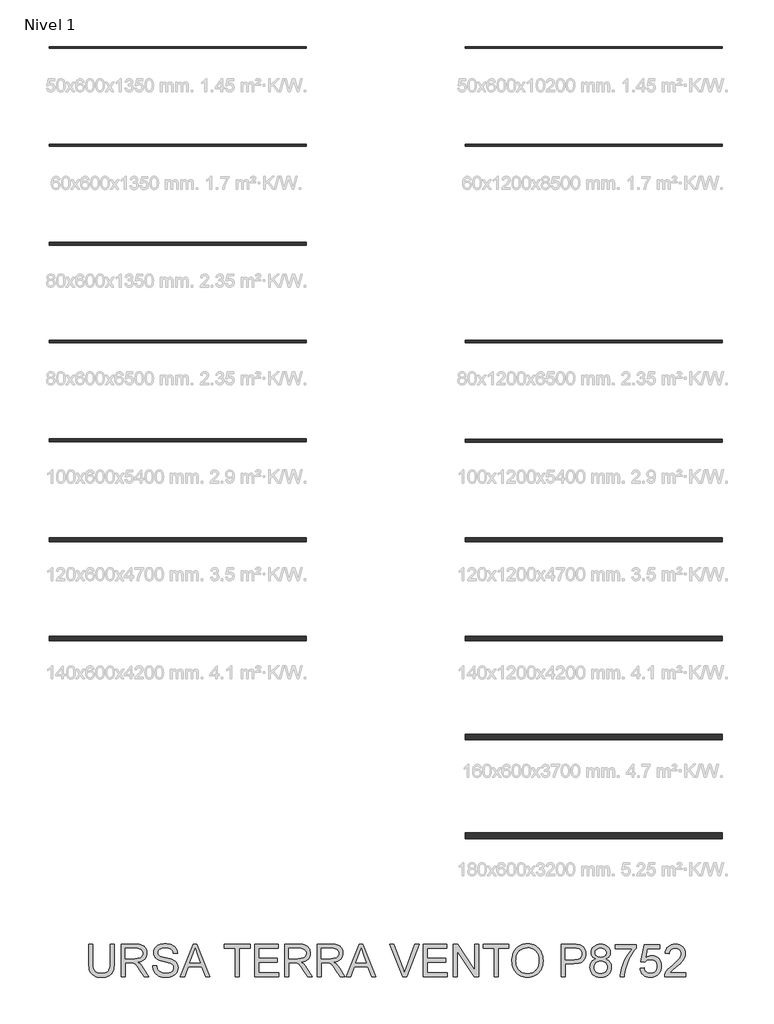
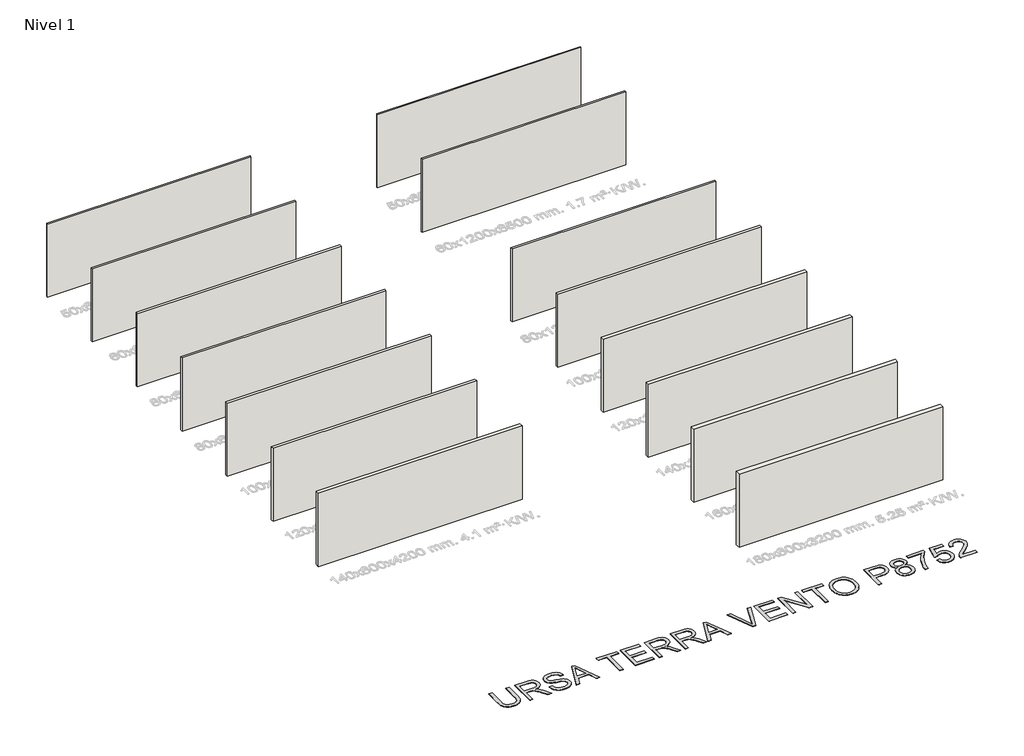
# One storey, part 1 of 16: 15 walls, 1 proxy.
"""IFC4 building model written with IfcOpenShell, lengths in millimetres."""

from ifc_helpers import new_model, si_unit, origin, origin_with_axes, place, context, project, spatial, polyline, outline, extrude, element, save

model = new_model("IFC4")

# Units and contexts
model_context = context("Model", 3, world=origin())
ifc_project = project(units=[si_unit("LENGTHUNIT", "METRE", prefix="MILLI")], contexts=[model_context])

# Site, building, storey
site = spatial("IfcSite", under=ifc_project)
building = spatial("IfcBuilding", under=site)
storey = spatial("IfcBuildingStorey", under=building, Name="Nivel 1", Elevation=0.0)

# Proxy
placement = place(None, origin())
element("IfcBuildingElementProxy", 1, Name="Texto de modelo 2", ObjectType="Texto de modelo 2", at=placement, inside=storey, context=model_context, shape_type="SweptSolid", body=[
    extrude(outline(polyline([(-11154.3090229, -23603.3871054), (-11028.7386352, -23603.3871054), (-11028.7386352, -24182.9238751), (-11030.8692851, -24254.6838568), (-11037.2612348, -24318.6416745), (-11047.9144842, -24374.7973282), (-11062.8290334, -24423.150818), (-11083.2924694, -24465.5338895), (-11110.5923791, -24503.7782886), (-11144.7287626, -24537.8840152), (-11185.7016198, -24567.8510694), (-11233.556936, -24592.2615726), (-11288.3406965, -24609.6976464), (-11350.0529012, -24620.1592906), (-11418.6935501, -24623.6465054), (-11485.640409, -24620.6114789), (-11546.1953182, -24611.5063995), (-11600.3582778, -24596.3312672), (-11648.1292877, -24575.086082), (-11689.5160122, -24548.0850764), (-11724.5261154, -24515.6424829), (-11753.1595974, -24477.7583016), (-11775.4164581, -24434.4325325), (-11792.1014394, -24384.1783191), (-11804.0192832, -24325.5088051), (-11811.1699895, -24258.4239904), (-11813.5535582, -24182.9238751), (-11813.5535582, -23603.3871054), (-11687.9831706, -23603.3871054), (-11687.9831706, -24178.5092912), (-11686.4350005, -24239.2174846), (-11681.7904903, -24291.3570932), (-11674.04964, -24334.928117), (-11663.2124495, -24369.930556), (-11648.6044687, -24398.8935989), (-11629.551247, -24424.3464345), (-11606.0527845, -24446.2890626), (-11578.1090813, -24464.7214834), (-11546.2566319, -24479.3141359), (-11511.0319309, -24489.7374591), (-11472.4349782, -24495.991453), (-11430.4657739, -24498.0761177), (-11361.2579736, -24493.9527736), (-11302.7494079, -24481.5827415), (-11254.940077, -24460.9660214), (-11235.0476245, -24447.5651533), (-11217.8299807, -24432.1026132), (-11202.9422562, -24413.7085134), (-11190.0395617, -24391.5129664), (-11170.1892623, -24335.7175305), (-11158.2790828, -24264.7163054), (-11154.3090229, -24178.5092912), (-11154.3090229, -23603.3871054)])), origin_with_axes(), (0.0, 0.0, 1.0), 10.0),
    extrude(outline(polyline([(-10808.9904567, -24607.9502069), (-10808.9904567, -23603.3871054), (-10376.1159758, -23603.3871054), (-10313.9822396, -23605.0808954), (-10259.7732948, -23610.1622655), (-10213.4891413, -23618.6312156), (-10175.1297791, -23630.4877457), (-10142.4649236, -23646.6438967), (-10113.2642902, -23668.0117092), (-10087.527879, -23694.5911834), (-10065.2556898, -23726.3823191), (-10047.2831215, -23761.675998), (-10034.4455727, -23798.7631017), (-10026.7430435, -23837.64363), (-10024.1755337, -23878.3175831), (-10028.4291693, -23929.9130329), (-10041.190076, -23977.2778398), (-10062.4582538, -24020.4120038), (-10092.2337028, -24059.3155248), (-10130.8996333, -24092.7468011), (-10178.8392558, -24119.464231), (-10236.0525703, -24139.4678145), (-10302.5395767, -24152.7575515), (-10261.1528523, -24179.7968782), (-10231.1704697, -24206.4683228), (-10179.728304, -24267.4754204), (-10129.3897843, -24335.7175305), (-9961.8808492, -24607.9502069), (-10107.8073739, -24607.9502069), (-10238.5281096, -24399.7289976), (-10290.8286665, -24320.2664867), (-10332.951155, -24261.8958768), (-10368.0532287, -24221.7047688), (-10399.2925415, -24196.7807636), (-10428.8763852, -24182.1574543), (-10459.012052, -24172.8684339), (-10531.852687, -24168.45385), (-10683.4200691, -24168.45385), (-10683.4200691, -24607.9502069), (-10808.9904567, -24607.9502069)]), holes=[polyline([(-10683.4200691, -24042.8834623), (-10402.3582247, -24042.8834623), (-10321.6387836, -24038.4382215), (-10259.006874, -24025.1024992), (-10233.8222857, -24014.8784454), (-10211.8566649, -24001.9872472), (-10193.1100116, -23986.4289045), (-10177.5823257, -23968.2034173), (-10165.4038988, -23948.207498), (-10156.7050225, -23927.337859), (-10151.4856967, -23905.5945002), (-10149.7459214, -23882.9774217), (-10153.0645236, -23850.8643892), (-10163.02033, -23821.7250695), (-10179.6133409, -23795.5594626), (-10202.843556, -23772.3675685), (-10233.2474701, -23753.3756605), (-10271.3615776, -23739.8100119), (-10317.1858787, -23731.6706228), (-10370.7203732, -23728.9574931), (-10683.4200691, -23728.9574931), (-10683.4200691, -24042.8834623)])]), origin_with_axes(), (0.0, 0.0, 1.0), 10.0),
    extrude(outline(polyline([(-9851.5162506, -24262.6316408), (-9725.9458629, -24262.6316408), (-9720.1977068, -24299.1822498), (-9711.5371515, -24332.314622), (-9699.964197, -24362.0287573), (-9685.4788435, -24388.3246558), (-9667.3453268, -24411.7311477), (-9644.827883, -24432.7770635), (-9617.9265121, -24451.4624032), (-9586.6412141, -24467.7871667), (-9552.1216202, -24481.0385828), (-9515.5173617, -24490.5038799), (-9476.8284385, -24496.1830582), (-9436.0548507, -24498.0761177), (-9366.095958, -24492.3432899), (-9334.3814643, -24485.1772552), (-9304.8436058, -24475.1448066), (-9278.2104822, -24462.606162), (-9255.2101933, -24447.921539), (-9235.8427391, -24431.0909377), (-9220.1081196, -24412.1143581), (-9207.9296927, -24391.8118705), (-9199.2308164, -24371.0035452), (-9194.0114905, -24349.6893821), (-9192.2717153, -24327.8693812), (-9197.4833769, -24285.8388633), (-9213.1183617, -24249.5105163), (-9226.270143, -24233.3926863), (-9244.8788406, -24218.5164582), (-9268.9444544, -24204.8818317), (-9298.4669846, -24192.488807), (-9364.7777142, -24172.7764634), (-9481.3043362, -24144.5415203), (-9601.3258371, -24112.8116982), (-9645.1267871, -24097.5216028), (-9678.1212036, -24082.6147178), (-9711.6521146, -24062.6111343), (-9740.6304859, -24040.369602), (-9765.0563176, -24015.8901209), (-9784.9296095, -23989.172691), (-9800.3270038, -23960.4932238), (-9811.3251427, -23930.1276308), (-9817.9240259, -23898.0759119), (-9820.1236537, -23864.3380673), (-9817.4028598, -23826.9443953), (-9809.240478, -23790.7923251), (-9795.6365084, -23755.8818566), (-9776.5909509, -23722.2129898), (-9752.3184035, -23691.1576181), (-9723.0334638, -23664.0876346), (-9688.736132, -23641.0030394), (-9649.426408, -23621.9038325), (-9606.4301998, -23606.9356338), (-9561.0734154, -23596.2440633), (-9513.356055, -23589.829121), (-9463.2781184, -23587.6908069), (-9408.6476421, -23589.9287557), (-9357.3281038, -23596.6426022), (-9309.3195034, -23607.8323462), (-9264.621841, -23623.4979878), (-9224.062851, -23643.5015713), (-9188.470268, -23667.7051409), (-9157.8440919, -23696.1086966), (-9132.1843227, -23728.7122384), (-9111.6902299, -23764.5654045), (-9096.5610829, -23802.7178331), (-9086.7968816, -23843.1695242), (-9082.3976261, -23885.9204777), (-9207.9680137, -23885.9204777), (-9216.367986, -23845.8519971), (-9231.0219521, -23810.995178), (-9251.9299122, -23781.3500206), (-9279.0918661, -23756.9165247), (-9313.0136518, -23737.8173178), (-9354.2011068, -23724.1750271), (-9402.6542313, -23715.9896528), (-9458.3730251, -23713.2611946), (-9515.8699153, -23715.9589959), (-9564.9974901, -23724.0523998), (-9605.7557494, -23737.5414063), (-9638.1446934, -23756.4260154), (-9662.8234439, -23779.1274002), (-9680.4511229, -23804.0667338), (-9691.0277302, -23831.2440162), (-9694.553266, -23860.6592474), (-9692.0547341, -23885.9664629), (-9684.5591385, -23908.9131024), (-9672.0664791, -23929.4991657), (-9654.5767559, -23947.7246529), (-9627.0469199, -23964.9844498), (-9583.6981581, -23982.4281878), (-9524.5304706, -24000.0558667), (-9449.5438572, -24017.8674866), (-9311.0975997, -24051.5286892), (-9262.3838922, -24066.7498067), (-9227.3431322, -24080.8979351), (-9188.8458142, -24102.3423898), (-9155.7594273, -24126.4539889), (-9128.0839713, -24153.2327324), (-9105.8194464, -24182.6786205), (-9088.7052694, -24214.6383688), (-9076.4808573, -24248.9586933), (-9069.14621, -24285.6395939), (-9066.7013276, -24324.6810706), (-9069.514092, -24363.9601378), (-9077.9523853, -24402.0895738), (-9092.0162074, -24439.0693785), (-9111.7055583, -24474.899552), (-9136.6755488, -24508.1928725), (-9166.5812893, -24537.5621185), (-9201.4227799, -24563.0072898), (-9241.2000206, -24584.5283865), (-9284.755716, -24601.6425635), (-9330.9325706, -24613.8669756), (-9379.7305844, -24621.2016229), (-9431.1497575, -24623.6465054), (-9495.3834867, -24621.0100177), (-9554.175628, -24613.1005548), (-9607.5261815, -24599.9181167), (-9655.4351472, -24581.4627032), (-9698.1937649, -24557.7036577), (-9736.0932746, -24528.6103233), (-9769.1336763, -24494.1826999), (-9797.31497, -24454.4207876), (-9820.0163548, -24410.6121733), (-9836.6170298, -24364.0444441), (-9847.1169951, -24314.7175999), (-9851.5162506, -24262.6316408)])), origin_with_axes(), (0.0, 0.0, 1.0), 10.0),
    extrude(outline(polyline([(-8995.3322205, -24607.9502069), (-8594.3408458, -23603.3871054), (-8487.4098125, -23603.3871054), (-8086.4184378, -24607.9502069), (-8219.1012107, -24607.9502069), (-8334.1256479, -24294.0242377), (-8747.8702651, -24294.0242377), (-8862.6494476, -24607.9502069), (-8995.3322205, -24607.9502069)]), holes=[polyline([(-8701.7623884, -24168.45385), (-8379.9882699, -24168.45385), (-8470.4872407, -23921.4824039), (-8540.8753292, -23728.9574931), (-8603.4152683, -23899.8999935), (-8701.7623884, -24168.45385)])]), origin_with_axes(), (0.0, 0.0, 1.0), 10.0),
    extrude(outline(polyline([(-7308.7159, -24607.9502069), (-7308.7159, -23728.9574931), (-7638.3381677, -23728.9574931), (-7638.3381677, -23603.3871054), (-6853.5232446, -23603.3871054), (-6853.5232446, -23728.9574931), (-7183.1455123, -23728.9574931), (-7183.1455123, -24607.9502069), (-7308.7159, -24607.9502069)])), origin_with_axes(), (0.0, 0.0, 1.0), 10.0),
    extrude(outline(polyline([(-6712.2565585, -24607.9502069), (-6712.2565585, -23603.3871054), (-5990.2268293, -23603.3871054), (-5990.2268293, -23728.9574931), (-6586.6861708, -23728.9574931), (-6586.6861708, -24027.1871638), (-6021.6194262, -24027.1871638), (-6021.6194262, -24152.7575515), (-6586.6861708, -24152.7575515), (-6586.6861708, -24482.3798192), (-5974.5305308, -24482.3798192), (-5974.5305308, -24607.9502069), (-6712.2565585, -24607.9502069)])), origin_with_axes(), (0.0, 0.0, 1.0), 10.0),
    extrude(outline(polyline([(-5786.1749493, -24607.9502069), (-5786.1749493, -23603.3871054), (-5353.3004683, -23603.3871054), (-5291.1667321, -23605.0808954), (-5236.9577873, -23610.1622655), (-5190.6736338, -23618.6312156), (-5152.3142716, -23630.4877457), (-5119.6494161, -23646.6438967), (-5090.4487827, -23668.0117092), (-5064.7123715, -23694.5911834), (-5042.4401824, -23726.3823191), (-5024.467614, -23761.675998), (-5011.6300653, -23798.7631017), (-5003.927536, -23837.64363), (-5001.3600262, -23878.3175831), (-5005.6136618, -23929.9130329), (-5018.3745685, -23977.2778398), (-5039.6427463, -24020.4120038), (-5069.4181953, -24059.3155248), (-5108.0841259, -24092.7468011), (-5156.0237484, -24119.464231), (-5213.2370628, -24139.4678145), (-5279.7240692, -24152.7575515), (-5238.3373448, -24179.7968782), (-5208.3549622, -24206.4683228), (-5156.9127965, -24267.4754204), (-5106.5742768, -24335.7175305), (-4939.0653417, -24607.9502069), (-5084.9918665, -24607.9502069), (-5215.7126021, -24399.7289976), (-5268.0131591, -24320.2664867), (-5310.1356475, -24261.8958768), (-5345.2377212, -24221.7047688), (-5376.477034, -24196.7807636), (-5406.0608778, -24182.1574543), (-5436.1965445, -24172.8684339), (-5509.0371796, -24168.45385), (-5660.6045616, -24168.45385), (-5660.6045616, -24607.9502069), (-5786.1749493, -24607.9502069)]), holes=[polyline([(-5660.6045616, -24042.8834623), (-5379.5427173, -24042.8834623), (-5298.8232762, -24038.4382215), (-5236.1913665, -24025.1024992), (-5211.0067782, -24014.8784454), (-5189.0411574, -24001.9872472), (-5170.2945041, -23986.4289045), (-5154.7668182, -23968.2034173), (-5142.5883913, -23948.207498), (-5133.889515, -23927.337859), (-5128.6701892, -23905.5945002), (-5126.9304139, -23882.9774217), (-5130.2490161, -23850.8643892), (-5140.2048226, -23821.7250695), (-5156.7978334, -23795.5594626), (-5180.0280485, -23772.3675685), (-5210.4319626, -23753.3756605), (-5248.5460701, -23739.8100119), (-5294.3703712, -23731.6706228), (-5347.9048657, -23728.9574931), (-5660.6045616, -23728.9574931), (-5660.6045616, -24042.8834623)])]), origin_with_axes(), (0.0, 0.0, 1.0), 10.0),
    extrude(outline(polyline([(-4781.6118478, -24607.9502069), (-4781.6118478, -23603.3871054), (-4348.7373668, -23603.3871054), (-4286.6036306, -23605.0808954), (-4232.3946858, -23610.1622655), (-4186.1105323, -23618.6312156), (-4147.7511701, -23630.4877457), (-4115.0863146, -23646.6438967), (-4085.8856812, -23668.0117092), (-4060.14927, -23694.5911834), (-4037.8770809, -23726.3823191), (-4019.9045125, -23761.675998), (-4007.0669638, -23798.7631017), (-3999.3644345, -23837.64363), (-3996.7969247, -23878.3175831), (-4001.0505603, -23929.9130329), (-4013.811467, -23977.2778398), (-4035.0796449, -24020.4120038), (-4064.8550938, -24059.3155248), (-4103.5210244, -24092.7468011), (-4151.4606469, -24119.464231), (-4208.6739613, -24139.4678145), (-4275.1609677, -24152.7575515), (-4233.7742433, -24179.7968782), (-4203.7918607, -24206.4683228), (-4152.349695, -24267.4754204), (-4102.0111753, -24335.7175305), (-3934.5022402, -24607.9502069), (-4080.428765, -24607.9502069), (-4211.1495006, -24399.7289976), (-4263.4500576, -24320.2664867), (-4305.572546, -24261.8958768), (-4340.6746197, -24221.7047688), (-4371.9139325, -24196.7807636), (-4401.4977763, -24182.1574543), (-4431.633443, -24172.8684339), (-4504.4740781, -24168.45385), (-4656.0414601, -24168.45385), (-4656.0414601, -24607.9502069), (-4781.6118478, -24607.9502069)]), holes=[polyline([(-4656.0414601, -24042.8834623), (-4374.9796158, -24042.8834623), (-4294.2601747, -24038.4382215), (-4231.628265, -24025.1024992), (-4206.4436767, -24014.8784454), (-4184.4780559, -24001.9872472), (-4165.7314026, -23986.4289045), (-4150.2037167, -23968.2034173), (-4138.0252898, -23948.207498), (-4129.3264135, -23927.337859), (-4124.1070877, -23905.5945002), (-4122.3673124, -23882.9774217), (-4125.6859146, -23850.8643892), (-4135.6417211, -23821.7250695), (-4152.2347319, -23795.5594626), (-4175.4649471, -23772.3675685), (-4205.8688611, -23753.3756605), (-4243.9829687, -23739.8100119), (-4289.8072697, -23731.6706228), (-4343.3417642, -23728.9574931), (-4656.0414601, -23728.9574931), (-4656.0414601, -24042.8834623)])]), origin_with_axes(), (0.0, 0.0, 1.0), 10.0),
    extrude(outline(polyline([(-3894.0352207, -24607.9502069), (-3493.043846, -23603.3871054), (-3386.1128127, -23603.3871054), (-2985.121438, -24607.9502069), (-3117.8042109, -24607.9502069), (-3232.8286481, -24294.0242377), (-3646.5732653, -24294.0242377), (-3761.3524478, -24607.9502069), (-3894.0352207, -24607.9502069)]), holes=[polyline([(-3600.4653886, -24168.45385), (-3278.6912701, -24168.45385), (-3369.190241, -23921.4824039), (-3439.5783294, -23728.9574931), (-3502.1182685, -23899.8999935), (-3600.4653886, -24168.45385)])]), origin_with_axes(), (0.0, 0.0, 1.0), 10.0),
    extrude(outline(polyline([(-2161.8015328, -24607.9502069), (-2561.5666342, -23603.3871054), (-2427.1670786, -23603.3871054), (-2159.5942408, -24327.1336172), (-2129.8571129, -24411.4399078), (-2105.3929602, -24490.2279684), (-2080.4996119, -24408.6194792), (-2051.9274436, -24327.1336172), (-1783.6188417, -23603.3871054), (-1649.2192862, -23603.3871054), (-2032.0618158, -24607.9502069), (-2161.8015328, -24607.9502069)])), origin_with_axes(), (0.0, 0.0, 1.0), 10.0),
    extrude(outline(polyline([(-1532.4780664, -24607.9502069), (-1532.4780664, -23603.3871054), (-810.4483372, -23603.3871054), (-810.4483372, -23728.9574931), (-1406.9076787, -23728.9574931), (-1406.9076787, -24027.1871638), (-841.8409341, -24027.1871638), (-841.8409341, -24152.7575515), (-1406.9076787, -24152.7575515), (-1406.9076787, -24482.3798192), (-794.7520387, -24482.3798192), (-794.7520387, -24607.9502069), (-1532.4780664, -24607.9502069)])), origin_with_axes(), (0.0, 0.0, 1.0), 10.0),
    extrude(outline(polyline([(-606.3964572, -24607.9502069), (-606.3964572, -23603.3871054), (-471.9969016, -23603.3871054), (52.8480782, -24399.2384883), (52.8480782, -23603.3871054), (178.4184659, -23603.3871054), (178.4184659, -24607.9502069), (44.0189103, -24607.9502069), (-480.8260695, -23811.8535693), (-480.8260695, -24607.9502069), (-606.3964572, -24607.9502069)])), origin_with_axes(), (0.0, 0.0, 1.0), 10.0),
    extrude(outline(polyline([(649.3074197, -24607.9502069), (649.3074197, -23728.9574931), (319.685152, -23728.9574931), (319.685152, -23603.3871054), (1104.5000751, -23603.3871054), (1104.5000751, -23728.9574931), (774.8778074, -23728.9574931), (774.8778074, -24607.9502069), (649.3074197, -24607.9502069)])), origin_with_axes(), (0.0, 0.0, 1.0), 10.0),
    extrude(outline(polyline([(1198.6778658, -24118.912408), (1200.7701947, -24058.3076814), (1207.0471812, -24001.0828706), (1217.5088255, -23947.2379757), (1232.1551274, -23896.7729966), (1250.986087, -23849.6879333), (1274.0017043, -23805.9827858), (1301.2019794, -23765.6575542), (1332.5869121, -23728.7122384), (1367.2789506, -23695.6603404), (1404.4005432, -23667.0153621), (1443.9516898, -23642.7773036), (1485.9323904, -23622.9461648), (1530.342645, -23607.5219457), (1577.1824536, -23596.5046464), (1626.4518162, -23589.8942668), (1678.1507329, -23587.6908069), (1745.7337211, -23591.8294794), (1809.9138008, -23604.2454967), (1870.6909721, -23624.9388589), (1928.0652349, -23653.9095661), (1980.4271056, -23690.2838983), (2026.1671003, -23733.188136), (2065.2852191, -23782.6222791), (2097.781462, -23838.5863276), (2123.3186039, -23899.808023), (2141.5594195, -23965.0151067), (2152.5039088, -24034.2075786), (2156.1520719, -24107.3854388), (2152.3123036, -24181.5289892), (2140.7929986, -24251.6564946), (2121.594157, -24317.7679548), (2094.7157787, -24379.8633699), (2060.7939931, -24436.3025993), (2020.4649294, -24485.4455025), (1973.7285876, -24527.2920795), (1920.5849677, -24561.8423302), (1863.1263986, -24588.8816568), (1803.4452091, -24608.1954616), (1741.5413992, -24619.7837444), (1677.4149689, -24623.6465054), (1608.6516926, -24619.3775414), (1543.62855, -24606.5706494), (1482.3455409, -24585.2258295), (1424.8026655, -24555.3430816), (1372.5021085, -24518.0797012), (1326.9460548, -24474.5929836), (1288.1345043, -24424.882929), (1256.0674571, -24368.9495374), (1230.9595109, -24309.0384216), (1213.0252636, -24247.3951948), (1202.2647153, -24184.0198569), (1198.6778658, -24118.912408)]), holes=[polyline([(1324.2482535, -24120.1386813), (1325.8175001, -24162.931788), (1330.5252401, -24203.3873111), (1338.3714732, -24241.5052508), (1349.3561997, -24277.2856069), (1363.4794194, -24310.7283795), (1380.7411324, -24341.8335686), (1401.1413387, -24370.6011742), (1424.6800382, -24397.0311963), (1450.5869781, -24420.7135998), (1478.0919054, -24441.2383494), (1507.1948201, -24458.6054453), (1537.8957222, -24472.8148873), (1570.1946118, -24483.8666756), (1604.0914887, -24491.7608101), (1639.5863531, -24496.4972908), (1676.6792049, -24498.0761177), (1714.4503391, -24496.4819624), (1750.5085228, -24491.6994964), (1784.8537559, -24483.7287199), (1817.4860385, -24472.5696327), (1848.4053706, -24458.2222349), (1877.6117521, -24440.6865264), (1905.1051831, -24419.9625074), (1930.8856636, -24396.0501777), (1954.2519184, -24369.2062883), (1974.5026726, -24339.6875903), (1991.6379262, -24307.4940836), (2005.6576791, -24272.6257683), (2016.5619313, -24235.0826443), (2024.350683, -24194.8647116), (2029.0239339, -24151.9719702), (2030.5816842, -24106.4044201), (2027.9145398, -24048.9381868), (2019.9131064, -23995.2427439), (2006.5773841, -23945.3180915), (1987.9073728, -23899.1642295), (1964.1100062, -23857.3866304), (1935.392218, -23820.5907667), (1901.7540081, -23788.7766383), (1863.1953764, -23761.9442453), (1820.9119396, -23740.6454106), (1776.0993141, -23725.4319573), (1728.7574998, -23716.3038853), (1678.8864969, -23713.2611946), (1608.8203052, -23719.1243139), (1543.812491, -23736.7136718), (1513.2054754, -23749.9056902), (1483.8630542, -23766.0292683), (1428.9719948, -23807.0711034), (1404.4273679, -23832.4837018), (1383.155358, -23861.8165428), (1365.155965, -23895.0696263), (1350.4291888, -23932.2429523), (1338.9750296, -23973.3365207), (1330.7934873, -24018.3503317), (1325.884562, -24067.2843853), (1324.2482535, -24120.1386813)])]), origin_with_axes(), (0.0, 0.0, 1.0), 10.0),
    extrude(outline(polyline([(2721.2188165, -24607.9502069), (2721.2188165, -23603.3871054), (3093.5153956, -23603.3871054), (3180.2129192, -23605.7783384), (3243.6112497, -23612.9520373), (3278.552375, -23620.485954), (3310.535116, -23630.8249709), (3339.5594725, -23643.969088), (3365.6254447, -23659.9183053), (3389.0089441, -23679.0021838), (3409.985882, -23701.5502844), (3428.5562585, -23727.5626072), (3444.7200737, -23757.039152), (3457.8105414, -23789.0065646), (3467.1608754, -23822.4914904), (3472.7710758, -23857.4939294), (3474.6411427, -23894.0138816), (3469.5904294, -23955.680101), (3454.4382897, -24012.4105704), (3429.1847236, -24064.2052896), (3393.829731, -24111.0642587), (3371.5939469, -24131.8725841), (3345.2923003, -24149.9064661), (3314.9247912, -24165.1659047), (3280.4914197, -24177.6508999), (3241.9921857, -24187.3614517), (3199.4270892, -24194.2975601), (3102.0993089, -24199.8464469), (2846.7892042, -24199.8464469), (2846.7892042, -24607.9502069), (2721.2188165, -24607.9502069)]), holes=[polyline([(2846.7892042, -24074.2760592), (3109.4569488, -24074.2760592), (3169.8509096, -24071.3943169), (3220.802566, -24062.74909), (3262.3119178, -24048.3403786), (3294.378965, -24028.1681825), (3318.3066231, -24002.7689964), (3335.3978075, -23972.6793149), (3345.6525181, -23937.8991379), (3349.070755, -23898.4284655), (3347.0550682, -23869.1205332), (3341.0080079, -23842.0198929), (3330.9295741, -23817.1265446), (3316.8197667, -23794.4404882), (3299.4296782, -23774.6974878), (3279.510401, -23758.6333074), (3257.0619351, -23746.2479469), (3232.0842805, -23737.5414063), (3183.6464845, -23731.1034714), (3106.5138928, -23728.9574931), (2846.7892042, -23728.9574931), (2846.7892042, -24074.2760592)])]), origin_with_axes(), (0.0, 0.0, 1.0), 10.0),
    extrude(outline(polyline([(3783.1715093, -24054.6556861), (3747.0500959, -24039.5725243), (3715.9410747, -24021.5463066), (3689.8444456, -24000.5770329), (3668.7602088, -23976.6647032), (3652.5044231, -23950.0392438), (3640.8931476, -23920.9305809), (3633.9263824, -23889.3387146), (3631.6041273, -23855.2636448), (3636.6625047, -23804.0514053), (3651.837637, -23757.1004657), (3677.1295242, -23714.4108259), (3712.5381662, -23675.9824858), (3756.3621089, -23644.2220069), (3806.899898, -23621.5359505), (3864.1515335, -23607.9243167), (3928.1170154, -23603.3871054), (3992.3890656, -23608.0316156), (4050.0698968, -23621.9651462), (4101.1595089, -23645.1876971), (4145.6579019, -23677.6992684), (4181.7103374, -23716.8787009), (4207.462077, -23760.1048353), (4222.9131208, -23807.3776717), (4228.0634688, -23858.69721), (4225.7718705, -23891.5689992), (4218.8970757, -23922.2488247), (4207.4390844, -23950.7366867), (4191.3978966, -23977.0325852), (4170.6968701, -24000.7839665), (4145.259363, -24021.6382771), (4115.0853752, -24039.595517), (4080.1749067, -24054.6556861), (4121.446668, -24072.2143872), (4157.4607825, -24094.4789121), (4188.2172502, -24121.4492609), (4213.716071, -24153.1254335), (4233.7273187, -24188.8023228), (4248.021067, -24227.7748217), (4256.597316, -24270.0429301), (4259.4560657, -24315.6066481), (4253.7845516, -24378.2385577), (4236.7700093, -24435.6588058), (4208.4124389, -24487.8673923), (4168.7118402, -24534.8643172), (4145.1290715, -24555.6726425), (4119.752878, -24573.7065245), (4092.5832598, -24588.9659631), (4063.6202169, -24601.4509583), (4000.3138569, -24618.0976186), (3929.833798, -24623.6465054), (3859.3537391, -24618.074626), (3796.0473791, -24601.3589878), (3767.0843362, -24588.8222592), (3739.914718, -24573.4995909), (3714.5385245, -24555.3909829), (3690.9557558, -24534.4964352), (3651.2551572, -24487.1699494), (3622.8975867, -24434.340562), (3605.8830444, -24376.0082731), (3600.2115303, -24312.1730828), (3603.1852431, -24264.5323644), (3612.1063815, -24220.938348), (3626.9749455, -24181.3910335), (3647.790935, -24145.890421), (3674.0944977, -24115.0803039), (3705.425781, -24089.6044757), (3741.7847848, -24069.4629365), (3783.1715093, -24054.6556861)]), holes=[polyline([(3757.1745149, -23858.9424647), (3759.9566225, -23887.7292308), (3768.3029453, -23913.756882), (3782.2134832, -23937.0254182), (3801.6882364, -23957.5348394), (3826.48195, -23974.2734702), (3856.3493695, -23986.229635), (3891.2904948, -23993.4033339), (3931.305326, -23995.7945669), (3970.3314743, -23993.4186624), (4004.513843, -23986.2909487), (4033.8524322, -23974.4114259), (4058.3472417, -23957.7800941), (4077.6610464, -23937.6998685), (4091.4566212, -23915.4736646), (4099.7339661, -23891.1014825), (4102.4930811, -23864.583322), (4099.6419956, -23837.0304934), (4091.0887392, -23811.7615988), (4076.8333119, -23788.7766383), (4056.8757137, -23768.0756119), (4031.8290812, -23750.9614349), (4002.3065511, -23738.7370228), (3968.3081233, -23731.4023755), (3929.833798, -23728.9574931), (3891.0605686, -23731.3487261), (3856.9011925, -23738.522425), (3827.3556697, -23750.4785898), (3802.4240004, -23767.2172206), (3782.6273505, -23787.2974462), (3768.4868863, -23809.2783954), (3760.0026078, -23833.1600682), (3757.1745149, -23858.9424647)]), polyline([(3725.781918, -24307.7584988), (3731.0242365, -24355.797756), (3746.7511917, -24402.3041716), (3759.2515154, -24423.8789178), (3775.7832125, -24442.8631616), (3796.3462832, -24459.256903), (3820.9407274, -24473.060142), (3875.0193807, -24491.8221237), (3930.8148167, -24498.0761177), (3976.2175862, -24494.7881723), (4016.2860669, -24484.9243363), (4051.0202586, -24468.4846097), (4080.4201614, -24445.4689924), (4103.8113249, -24417.3796692), (4120.5192988, -24385.718825), (4130.5440832, -24350.4864597), (4133.885678, -24311.6825734), (4130.4367843, -24272.2578863), (4120.0901032, -24236.3893918), (4102.8456347, -24204.0770899), (4078.7033787, -24175.3209806), (4048.5063983, -24151.7152192), (4013.0977563, -24134.8539611), (3972.4774526, -24124.7372062), (3926.6454874, -24121.3649546), (3881.9095039, -24124.691221), (3842.3698537, -24134.6700201), (3808.0265366, -24151.301352), (3778.8795527, -24174.5852166), (3755.6493375, -24202.866145), (3739.0563267, -24234.4886681), (3729.1005202, -24269.4527861), (3725.781918, -24307.7584988)])]), origin_with_axes(), (0.0, 0.0, 1.0), 10.0),
    extrude(outline(polyline([(4369.3301549, -23744.6537915), (4369.3301549, -23619.0834039), (5028.5746903, -23619.0834039), (5028.5746903, -23720.6188345), (4981.4781307, -23776.0387243), (4934.6114973, -23839.5366895), (4887.9747902, -23911.1127302), (4841.5680094, -23990.7668463), (4797.9050151, -24075.0501443), (4759.4996676, -24160.5137303), (4726.351967, -24247.1576043), (4698.4619133, -24334.9817665), (4681.8459098, -24398.7633074), (4668.5408443, -24465.5185611), (4658.5467168, -24535.2475276), (4651.8635272, -24607.9502069), (4526.2931395, -24607.9502069), (4530.2402068, -24546.2839875), (4539.8741165, -24478.5170583), (4555.1948688, -24404.6494193), (4576.2024635, -24324.6810706), (4602.6516462, -24242.4057952), (4634.2971619, -24161.6173762), (4671.1390109, -24082.3158137), (4713.1771931, -24004.5011075), (4758.518649, -23930.4571917), (4805.2703192, -23862.4680005), (4853.4322037, -23800.5335338), (4903.0043026, -23744.6537915), (4369.3301549, -23744.6537915)])), origin_with_axes(), (0.0, 0.0, 1.0), 10.0),
    extrude(outline(polyline([(5138.4487795, -24341.1131331), (5264.0191672, -24325.4168346), (5273.4001581, -24365.7842194), (5287.0731056, -24400.8019868), (5305.0380097, -24430.4701368), (5327.2948704, -24454.7886696), (5353.7977024, -24473.7269281), (5384.5005206, -24487.2542556), (5419.4033249, -24495.3706522), (5458.5061153, -24498.0761177), (5506.3307747, -24494.3129914), (5548.5145768, -24483.0236127), (5585.0575216, -24464.2079815), (5615.9596092, -24437.8660978), (5640.5310608, -24405.300877), (5658.0820977, -24367.8152345), (5668.6127198, -24325.4091704), (5672.1229272, -24278.0826846), (5668.8349818, -24233.3543653), (5658.9711458, -24193.592453), (5642.5314192, -24158.7969476), (5619.5158019, -24128.9678492), (5589.8476518, -24105.0401911), (5553.4503269, -24087.9490067), (5510.3238272, -24077.6942961), (5460.4681526, -24074.2760592), (5399.5530256, -24079.7329755), (5373.4410681, -24086.5541208), (5350.2261814, -24096.1037243), (5310.8321511, -24121.1810136), (5279.7154657, -24152.7575515), (5154.145078, -24137.0612531), (5264.0191672, -23619.0834039), (5750.6044195, -23619.0834039), (5750.6044195, -23744.6537915), (5365.5545979, -23744.6537915), (5311.8438266, -24021.3010519), (5356.1582786, -23989.540573), (5401.5457197, -23966.8545166), (5448.00615, -23953.2428828), (5495.5395695, -23948.7056715), (5556.692287, -23954.3312004), (5612.8632691, -23971.2077869), (5664.0525159, -23999.3354311), (5710.2600273, -24038.714133), (5748.5120906, -24086.9373312), (5775.834993, -24141.5984643), (5792.2287344, -24202.6975324), (5797.6933149, -24270.2345353), (5792.7728932, -24335.2883348), (5778.0116281, -24395.804923), (5753.4095197, -24451.7842999), (5718.9665679, -24503.2264656), (5693.9659206, -24531.4499124), (5666.7886382, -24555.910233), (5637.4347207, -24576.6074273), (5605.904168, -24593.5414954), (5572.1969802, -24606.7124373), (5536.3131573, -24616.1202529), (5498.2526992, -24621.7649422), (5458.015606, -24623.6465054), (5393.2147254, -24618.81039), (5334.6831671, -24604.3020438), (5282.4209312, -24580.1214668), (5236.4280176, -24546.268659), (5198.1606258, -24504.4297463), (5169.0749556, -24456.2908544), (5149.1710068, -24401.8519833), (5138.4487795, -24341.1131331)])), origin_with_axes(), (0.0, 0.0, 1.0), 10.0),
    extrude(outline(polyline([(6551.115641, -24482.3798192), (6551.115641, -24607.9502069), (5891.8711056, -24607.9502069), (5894.6302206, -24563.7430538), (5905.3601121, -24521.3753107), (5919.048388, -24487.2925767), (5936.3235134, -24453.7156804), (5957.1854882, -24420.6446219), (5981.6343124, -24388.0794011), (6011.1415141, -24354.7477595), (6047.1786213, -24319.3774385), (6138.8425517, -24242.5207584), (6274.3457533, -24122.1620323), (6321.7718738, -24073.8008783), (6355.6476742, -24033.3185304), (6379.3607345, -23997.0208402), (6396.2986347, -23961.2136594), (6406.4613748, -23925.8969878), (6409.8489548, -23891.0708256), (6406.65298, -23858.3063354), (6397.0650555, -23828.1936613), (6381.0851813, -23800.7328032), (6358.7133575, -23775.9237611), (6331.1911857, -23755.3760189), (6299.7602678, -23740.6990601), (6264.4206036, -23731.8928848), (6225.1721933, -23728.9574931), (6183.8237898, -23731.823907), (6146.8439851, -23740.4231486), (6114.2327791, -23754.755218), (6085.9901717, -23774.8201151), (6063.143167, -23799.9433897), (6046.7187688, -23829.4505914), (6036.716977, -23863.3417202), (6033.1377918, -23901.6167762), (5907.5674041, -23885.9204777), (5918.3662735, -23821.0966045), (5938.0096392, -23764.4581056), (5966.4975012, -23716.0049812), (6003.8298595, -23675.7372311), (6049.1483228, -23644.0840511), (6101.5944997, -23621.4746368), (6161.1683903, -23607.9089883), (6227.8699946, -23603.3871054), (6295.169407, -23608.414826), (6355.0651944, -23623.4979878), (6407.5573566, -23648.6365908), (6452.6458936, -23683.830635), (6488.8592775, -23726.4742896), (6514.7259803, -23773.9617238), (6530.246002, -23826.2929376), (6535.4193425, -23883.4679311), (6529.8397989, -23943.5246668), (6513.1011681, -24002.5390702), (6483.394697, -24062.565149), (6438.9116325, -24125.6569112), (6408.2164785, -24160.6440218), (6368.0023779, -24200.9807497), (6259.0173368, -24297.7030576), (6114.56234, -24418.4909794), (6083.2310568, -24450.3434288), (6057.9085128, -24482.3798192), (6551.115641, -24482.3798192)])), origin_with_axes(), (0.0, 0.0, 1.0), 10.0),
])

# Walls
element("IfcWall", 2, at=placement, inside=storey, context=model_context, shape_type="SweptSolid", body=[
    extrude(outline(polyline([(7668.7582768, 940.3831431), (-231.2417232, 940.3831431), (-231.2417232, 1000.3831431), (7668.7582768, 1000.3831431), (7668.7582768, 940.3831431)])), origin_with_axes(), (0.0, 0.0, 1.0), 3000.0),
])
element("IfcWall", 3, at=placement, inside=storey, context=model_context, shape_type="SweptSolid", body=[
    extrude(outline(polyline([(-5131.2417232, 3950.3831431), (-13031.2417232, 3950.3831431), (-13031.2417232, 4000.3831431), (-5131.2417232, 4000.3831431), (-5131.2417232, 3950.3831431)])), origin_with_axes(), (0.0, 0.0, 1.0), 3000.0),
])
element("IfcWall", 4, at=placement, inside=storey, context=model_context, shape_type="SweptSolid", body=[
    extrude(outline(polyline([(7668.7582768, -5108.6168569), (-231.2417232, -5108.6168569), (-231.2417232, -5028.6168569), (7668.7582768, -5028.6168569), (7668.7582768, -5108.6168569)])), origin_with_axes(), (0.0, 0.0, 1.0), 3000.0),
])
element("IfcWall", 5, at=placement, inside=storey, context=model_context, shape_type="SweptSolid", body=[
    extrude(outline(polyline([(7668.7582768, -8174.6168569), (-231.2417232, -8174.6168569), (-231.2417232, -8074.6168569), (7668.7582768, -8074.6168569), (7668.7582768, -8174.6168569)])), origin_with_axes(), (0.0, 0.0, 1.0), 3000.0),
])
element("IfcWall", 6, at=placement, inside=storey, context=model_context, shape_type="SweptSolid", body=[
    extrude(outline(polyline([(7668.7582768, -11219.6168569), (-231.2417232, -11219.6168569), (-231.2417232, -11099.6168569), (7668.7582768, -11099.6168569), (7668.7582768, -11219.6168569)])), origin_with_axes(), (0.0, 0.0, 1.0), 3000.0),
])
element("IfcWall", 7, at=placement, inside=storey, context=model_context, shape_type="SweptSolid", body=[
    extrude(outline(polyline([(7668.7582768, -14264.6168569), (-231.2417232, -14264.6168569), (-231.2417232, -14124.6168569), (7668.7582768, -14124.6168569), (7668.7582768, -14264.6168569)])), origin_with_axes(), (0.0, 0.0, 1.0), 3000.0),
])
element("IfcWall", 8, at=placement, inside=storey, context=model_context, shape_type="SweptSolid", body=[
    extrude(outline(polyline([(7668.7582768, -17309.6168569), (-231.2417232, -17309.6168569), (-231.2417232, -17149.6168569), (7668.7582768, -17149.6168569), (7668.7582768, -17309.6168569)])), origin_with_axes(), (0.0, 0.0, 1.0), 3000.0),
])
element("IfcWall", 9, at=placement, inside=storey, context=model_context, shape_type="SweptSolid", body=[
    extrude(outline(polyline([(-5131.2417232, -8154.6168569), (-13031.2417232, -8154.6168569), (-13031.2417232, -8054.6168569), (-5131.2417232, -8054.6168569), (-5131.2417232, -8154.6168569)])), origin_with_axes(), (0.0, 0.0, 1.0), 3000.0),
])
element("IfcWall", 10, at=placement, inside=storey, context=model_context, shape_type="SweptSolid", body=[
    extrude(outline(polyline([(-5131.2417232, 940.3831431), (-13031.2417232, 940.3831431), (-13031.2417232, 1000.3831431), (-5131.2417232, 1000.3831431), (-5131.2417232, 940.3831431)])), origin_with_axes(), (0.0, 0.0, 1.0), 3000.0),
])
element("IfcWall", 11, at=placement, inside=storey, context=model_context, shape_type="SweptSolid", body=[
    extrude(outline(polyline([(7668.7582768, 3950.3831431), (-231.2417232, 3950.3831431), (-231.2417232, 4000.3831431), (7668.7582768, 4000.3831431), (7668.7582768, 3950.3831431)])), origin_with_axes(), (0.0, 0.0, 1.0), 3000.0),
])
element("IfcWall", 12, at=placement, inside=storey, context=model_context, shape_type="SweptSolid", body=[
    extrude(outline(polyline([(-5131.2417232, -5108.6168569), (-13031.2417232, -5108.6168569), (-13031.2417232, -5028.6168569), (-5131.2417232, -5028.6168569), (-5131.2417232, -5108.6168569)])), origin_with_axes(), (0.0, 0.0, 1.0), 3000.0),
])
element("IfcWall", 13, at=placement, inside=storey, context=model_context, shape_type="SweptSolid", body=[
    extrude(outline(polyline([(-5131.2417232, -2104.6168569), (-13031.2417232, -2104.6168569), (-13031.2417232, -2024.6168569), (-5131.2417232, -2024.6168569), (-5131.2417232, -2104.6168569)])), origin_with_axes(), (0.0, 0.0, 1.0), 3000.0),
])
element("IfcWall", 14, at=placement, inside=storey, context=model_context, shape_type="SweptSolid", body=[
    extrude(outline(polyline([(-5131.2417232, -11219.6168569), (-13031.2417232, -11219.6168569), (-13031.2417232, -11099.6168569), (-5131.2417232, -11099.6168569), (-5131.2417232, -11219.6168569)])), origin_with_axes(), (0.0, 0.0, 1.0), 3000.0),
])
element("IfcWall", 15, at=placement, inside=storey, context=model_context, shape_type="SweptSolid", body=[
    extrude(outline(polyline([(-5131.2417232, -14264.6168569), (-13031.2417232, -14264.6168569), (-13031.2417232, -14124.6168569), (-5131.2417232, -14124.6168569), (-5131.2417232, -14264.6168569)])), origin_with_axes(), (0.0, 0.0, 1.0), 3000.0),
])
element("IfcWall", 16, at=placement, inside=storey, context=model_context, shape_type="SweptSolid", body=[
    extrude(outline(polyline([(7668.7582768, -20354.6168569), (-231.2417232, -20354.6168569), (-231.2417232, -20174.6168569), (7668.7582768, -20174.6168569), (7668.7582768, -20354.6168569)])), origin_with_axes(), (0.0, 0.0, 1.0), 3000.0),
])

save(model, "model.ifc")
